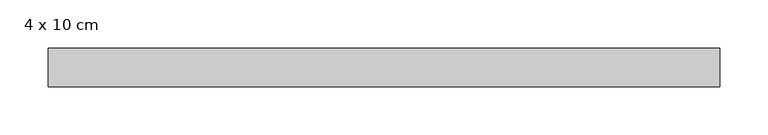
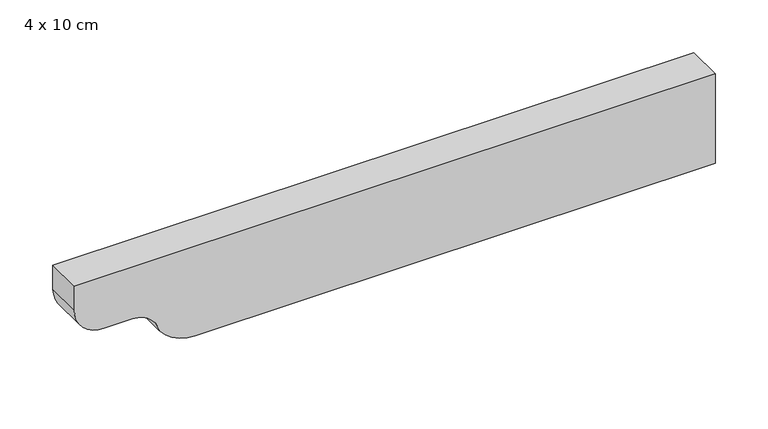
"""IFC4 building model written with IfcOpenShell, lengths in millimetres: beam geometry, 4 x 10 cm."""

from ifc_helpers import new_model, si_unit, point, frame, frame_2d, origin, place, context, project, spatial, polyline, circle_curve, trimmed, segment, composite_curve, outline, extrude, source, transform, mapped, element, save


def beam_4_x_10_cm_07c59bc1(model_context):
    return source(origin(), model_context, "Body", "SweptSolid", [
        extrude(outline(composite_curve([segment(polyline([(50.0, 329.5407081), (50.0, -369.2689541), (22.5, -369.2689541)]), True, "CONTINUOUS"), segment(trimmed(circle_curve(frame_2d((22.5, -336.7689541)), 32.5), [point((22.5, -369.2689541))], [point((-10.0, -336.7689541))], False, "CARTESIAN"), True, "CONTINUOUS"), segment(polyline([(-10.0, -336.7689541), (-10.0, -305.758749)]), True, "CONTINUOUS"), segment(trimmed(circle_curve(frame_2d((-40.0, -305.758749)), 30.0), [point((-10.0, -305.758749))], [point((-34.0, -276.364872))], True, "CARTESIAN"), True, "CONTINUOUS"), segment(trimmed(circle_curve(frame_2d((-3.1535049, -237.0139669)), 50.0), [point((-34.0, -276.364872))], [point((-53.1535049, -237.0139669))], False, "CARTESIAN"), True, "CONTINUOUS"), segment(polyline([(-53.1535049, -237.0139669), (-53.1535049, 329.5407081), (50.0, 329.5407081)]), True, "CONTINUOUS")], self_intersect=False)), frame((0.0, -20.0, 0.0), z_axis=(0.0, 1.0, 0.0), x_axis=(0.0, 0.0, 1.0)), (0.0, 0.0, 1.0), 40.0),
    ])


if __name__ == "__main__":
    model = new_model("IFC4")
    model_context = context("Model", 3, world=origin())
    ifc_project = project(units=[si_unit("LENGTHUNIT", "METRE", prefix="MILLI")], contexts=[model_context])
    site = spatial("IfcSite", under=ifc_project)
    building = spatial("IfcBuilding", under=site)
    placement = place(None, origin())
    beam_4_x_10_cm_shape = beam_4_x_10_cm_07c59bc1(model_context)
    element("IfcBeam", 1, ObjectType="4 x 10 cm", at=placement, inside=building, context=model_context, shape_type="MappedRepresentation", body=[
        mapped(beam_4_x_10_cm_shape, transform((0.0, 0.0, 0.0), x_axis=(1.0, 0.0, 0.0), y_axis=(0.0, 1.0, 0.0), z_axis=(0.0, 0.0, 1.0))),
    ])
    save(model, "model.ifc")
